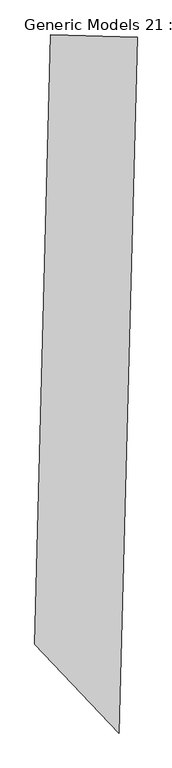
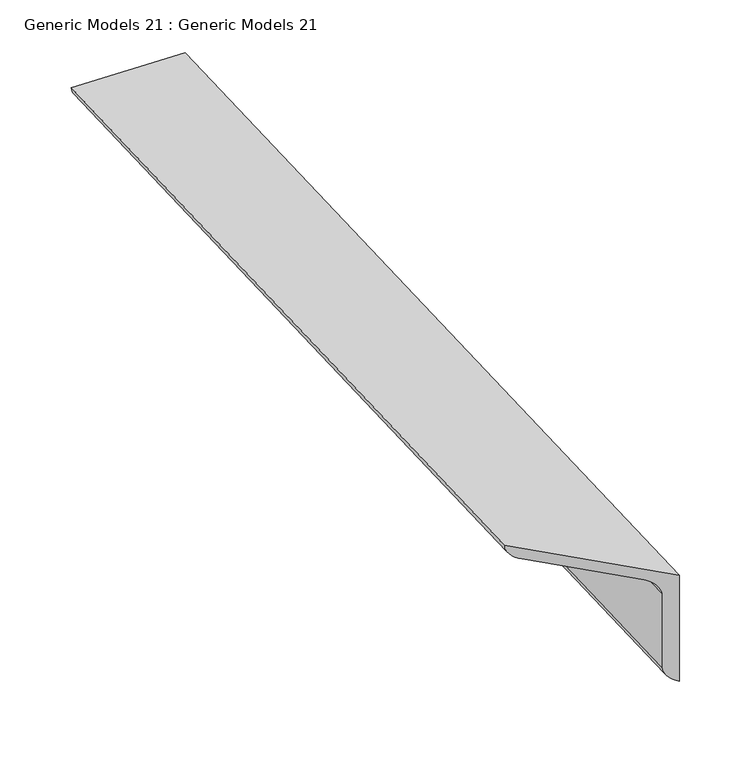
"""IFC4 building model written with IfcOpenShell, lengths in millimetres: proxy geometry, Generic Models 21 : Generic Models 21."""

import ifcopenshell
import ifcopenshell.guid

model = None  # the IFC model being written
_history = None  # IfcOwnerHistory: only IFC2X3 demands one
_inside = {}  # id of a spatial element -> (the spatial element, [elements in it])
_under = {}  # id of a project, library or spatial element -> (it, [spatial elements below it])
_declared = {}  # id of a project -> (the project, [libraries it declares])
_typed = {}  # id of a type object -> (the type object, [elements of that type])
_made_of = {}  # id of a material, layer set ... -> (it, [elements and type objects made of it])


def new_model(schema):
    """Start an empty IFC model of exactly this schema.

    Asked for "IFC4X3", IfcOpenShell would pick the latest addendum, in which some entities
    have other attributes; the version numbers below select the first issue.
    IFC2X3 requires an IfcOwnerHistory on every rooted entity: one is made here for all.
    """
    global model, _history
    if schema == "IFC4X3":
        model = ifcopenshell.file(schema_version=(4, 3, 0, 0))
    else:
        model = ifcopenshell.file(schema=schema)
    _inside.clear()
    _under.clear()
    _declared.clear()
    _typed.clear()
    _made_of.clear()
    _history = None
    if model.schema == "IFC2X3":
        org = make("IfcOrganization", Name="unknown")
        user = make(
            "IfcPersonAndOrganization",
            ThePerson=make("IfcPerson", FamilyName="unknown"),
            TheOrganization=org,
        )
        app = make(
            "IfcApplication",
            ApplicationDeveloper=org,
            Version="unknown",
            ApplicationFullName="unknown",
            ApplicationIdentifier="unknown",
        )
        _history = make(
            "IfcOwnerHistory",
            OwningUser=user,
            OwningApplication=app,
            ChangeAction="ADDED",
            CreationDate=0,
        )
    return model


def make(cls, **values):
    """One entity of the class cls with the attributes given. An attribute that is None is left unset."""
    return model.create_entity(
        cls, **{name: value for name, value in values.items() if value is not None}
    )


def rooted(cls, **values):
    """An entity with a GlobalId (a new one), such as an element, a storey or a relation."""
    return make(cls, GlobalId=ifcopenshell.guid.new(), OwnerHistory=_history, **values)


def si_unit(unit_type, name, prefix=None):
    """IfcSIUnit, for example si_unit("LENGTHUNIT", "METRE", prefix="MILLI")."""
    return make("IfcSIUnit", UnitType=unit_type, Prefix=prefix, Name=name)


def assignment(units):
    """IfcUnitAssignment: the units of a project."""
    return None if units is None else make("IfcUnitAssignment", Units=units)


def point(xyz):
    """IfcCartesianPoint."""
    return None if xyz is None else make("IfcCartesianPoint", Coordinates=xyz)


def direction(xyz):
    """IfcDirection."""
    return None if xyz is None else make("IfcDirection", DirectionRatios=xyz)


def frame(location, z_axis=None, x_axis=None):
    """IfcAxis2Placement3D, a coordinate frame: its origin and axes. An axis left out is left unset."""
    return make(
        "IfcAxis2Placement3D",
        Location=point(location),
        Axis=direction(z_axis),
        RefDirection=direction(x_axis),
    )


def origin():
    """The frame at (0, 0, 0) with its axes left unset."""
    return frame((0.0, 0.0, 0.0))


def place(relative_to, where):
    """IfcLocalPlacement: puts the frame where relative to a parent placement (None: the world)."""
    return make(
        "IfcLocalPlacement", PlacementRelTo=relative_to, RelativePlacement=where
    )


def context(
    kind, dimensions, precision=None, world=None, true_north=None, identifier=None
):
    """IfcGeometricRepresentationContext, for example the 3D "Model" context."""
    return make(
        "IfcGeometricRepresentationContext",
        ContextIdentifier=identifier,
        ContextType=kind,
        CoordinateSpaceDimension=dimensions,
        Precision=precision,
        WorldCoordinateSystem=world,
        TrueNorth=true_north,
    )


def project(units=None, contexts=None):
    """IfcProject with its units and contexts."""
    return rooted(
        "IfcProject",
        Name="project",
        RepresentationContexts=contexts,
        UnitsInContext=assignment(units),
    )


def spatial(cls, under=None, at=None, **own):
    """A site, building, storey or space (cls), placed at a placement, below another one or the project."""
    s = rooted(cls, ObjectPlacement=at, **own)
    if under is not None:
        _under.setdefault(under.id(), (under, []))[1].append(s)
    return s


def polyline(points):
    """IfcPolyline through the points."""
    return make("IfcPolyline", Points=[point(p) for p in points])


def circle_curve(where, radius):
    """IfcCircle in the frame where."""
    return make("IfcCircle", Position=where, Radius=radius)


def ellipse_curve(where, semi_axis1, semi_axis2):
    """IfcEllipse in the frame where."""
    return make(
        "IfcEllipse", Position=where, SemiAxis1=semi_axis1, SemiAxis2=semi_axis2
    )


def shape(context_of_items, identifier, shape_type, items):
    """IfcShapeRepresentation: the items that make up one representation, for example the "Body"."""
    return make(
        "IfcShapeRepresentation",
        ContextOfItems=context_of_items,
        RepresentationIdentifier=identifier,
        RepresentationType=shape_type,
        Items=items,
    )


def source(mapping_origin, context_of_items, identifier, shape_type, items):
    """IfcRepresentationMap: a shape defined once, which mapped items show again and again."""
    return make(
        "IfcRepresentationMap",
        MappingOrigin=mapping_origin,
        MappedRepresentation=shape(context_of_items, identifier, shape_type, items),
    )


def transform(
    local_origin,
    x_axis=None,
    y_axis=None,
    z_axis=None,
    scale=None,
    scale2=None,
    scale3=None,
    uniform=True,
):
    """IfcCartesianTransformationOperator3D, or its non-uniform kind. x_axis, y_axis, z_axis: its Axis1, 2, 3."""
    if uniform:
        return make(
            "IfcCartesianTransformationOperator3D",
            Axis1=direction(x_axis),
            Axis2=direction(y_axis),
            LocalOrigin=point(local_origin),
            Scale=scale,
            Axis3=direction(z_axis),
        )
    return make(
        "IfcCartesianTransformationOperator3DnonUniform",
        Axis1=direction(x_axis),
        Axis2=direction(y_axis),
        LocalOrigin=point(local_origin),
        Scale=scale,
        Axis3=direction(z_axis),
        Scale2=scale2,
        Scale3=scale3,
    )


def mapped(mapping_source, mapping_target):
    """IfcMappedItem: shows the shape of a source again, moved by a transform."""
    return make(
        "IfcMappedItem", MappingSource=mapping_source, MappingTarget=mapping_target
    )


def made_of(thing, what):
    """Note that an element or type object is made of a material, layer set ...; save() writes the relation."""
    if what is not None:
        _made_of.setdefault(what.id(), (what, []))[1].append(thing)
    return thing


def element(
    cls,
    number,
    at=None,
    inside=None,
    cuts=None,
    type_object=None,
    material=None,
    context=None,
    identifier="Body",
    shape_type=None,
    held_by="IfcProductDefinitionShape",
    body=None,
    shapes=None,
    **own,
):
    """One element of the class cls, such as IfcWall. Its Tag is "e" and its number.

    at: its placement. inside: the storey or other place that contains it. cuts: it is an
    opening in that element (IfcRelVoidsElement). A single representation is given by context,
    identifier, shape_type and body (its items); several are given by shapes. held_by: the class
    of the entity that holds the representations. save() writes the other relations.
    """
    e = rooted(cls, Tag="e%d" % number, ObjectPlacement=at, **own)
    if body is not None:
        shapes = [shape(context, identifier, shape_type, body)]
    if shapes is not None:
        e.Representation = make(held_by, Representations=shapes)
    if inside is not None:
        _inside.setdefault(inside.id(), (inside, []))[1].append(e)
    if cuts is not None:
        rooted(
            "IfcRelVoidsElement", RelatingBuildingElement=cuts, RelatedOpeningElement=e
        )
    if type_object is not None:
        _typed.setdefault(type_object.id(), (type_object, []))[1].append(e)
    return made_of(e, material)


def aggregate(whole, parts):
    """IfcRelAggregates: a whole, such as a stair, and the parts it consists of."""
    return rooted("IfcRelAggregates", RelatingObject=whole, RelatedObjects=parts)


def save(model, path):
    """Write the relations noted so far, then the file.

    IfcRelAggregates (storeys below a building ...), IfcRelContainedInSpatialStructure (elements
    in a storey), IfcRelDefinesByType, IfcRelAssociatesMaterial and IfcRelDeclares: one each for
    every whole, place, type object, material and project.
    """
    for whole, parts in _under.values():
        aggregate(whole, parts)
    for where, things in _inside.values():
        rooted(
            "IfcRelContainedInSpatialStructure",
            RelatedElements=things,
            RelatingStructure=where,
        )
    for kind, things in _typed.values():
        rooted("IfcRelDefinesByType", RelatedObjects=things, RelatingType=kind)
    for what, things in _made_of.values():
        rooted("IfcRelAssociatesMaterial", RelatedObjects=things, RelatingMaterial=what)
    for by, libraries in _declared.values():
        rooted("IfcRelDeclares", RelatingContext=by, RelatedDefinitions=libraries)
    model.write(path)


def plane_surface(at):
    """IfcPlane: the flat surface through the origin of the frame at, square to its z axis."""
    return make("IfcPlane", Position=at)


def cylinder_surface(at, radius):
    """IfcCylindricalSurface: all points at the distance radius from the z axis of the frame at."""
    return make("IfcCylindricalSurface", Position=at, Radius=radius)


def revolved_surface(curve, axis_point, axis_direction):
    """IfcSurfaceOfRevolution: the curve turned about the line through axis_point along axis_direction."""
    return make(
        "IfcSurfaceOfRevolution",
        SweptCurve=make("IfcArbitraryOpenProfileDef", ProfileType="CURVE", Curve=curve),
        AxisPosition=make("IfcAxis1Placement", Location=point(axis_point), Axis=direction(axis_direction)),
    )


def advanced_brep(points, edges, surfaces, faces):
    """IfcAdvancedBrep: a solid bounded by faces that lie on surfaces and meet in shared edges.

    An edge is (start, end): straight between two places in points (the first is 0);
    or (start, end, curve); or (start, end, curve, False) where it runs against its curve.
    A face is (place in surfaces, loops), or (place, loops, False) where it looks against
    its surface's normal. A loop lists edges by number (the first is 1), with a minus sign
    where the edge is run from its end to its start. The first loop is the outer one.
    """
    corners = [point(p) for p in points]
    vertices = [make("IfcVertexPoint", VertexGeometry=c) for c in corners]
    made = []
    for start, end, *more in edges:
        made.append(
            make(
                "IfcEdgeCurve",
                EdgeStart=vertices[start],
                EdgeEnd=vertices[end],
                EdgeGeometry=more[0] if more else make("IfcPolyline", Points=[corners[start], corners[end]]),
                SameSense=more[1] if len(more) > 1 else True,
            )
        )
    hull = []
    for where, loops, *sense in faces:
        bounds = []
        for j, loop in enumerate(loops):
            ring = [make("IfcOrientedEdge", EdgeElement=made[abs(k) - 1], Orientation=k > 0) for k in loop]
            bounds.append(
                make(
                    "IfcFaceOuterBound" if j == 0 else "IfcFaceBound",
                    Bound=make("IfcEdgeLoop", EdgeList=ring),
                    Orientation=True,
                )
            )
        hull.append(make("IfcAdvancedFace", Bounds=bounds, FaceSurface=surfaces[where], SameSense=sense[0] if sense else True))
    return make("IfcAdvancedBrep", Outer=make("IfcClosedShell", CfsFaces=hull))


def generic_models_21_generic_models_21_21406c52(model_context):
    return source(origin(), model_context, "Body", "AdvancedBrep", [
        advanced_brep(
        [(111669.4194918, 56793.8871271, 17063.72), (111669.4194918, 56793.8871271, 16936.72), (111656.7238437, 56794.2195744, 16949.42), (111656.7238437, 56794.2195744, 17038.32), (111644.0281957, 56794.5520216, 17051.02), (111555.1586595, 56796.8791523, 17051.02), (111542.4630115, 56797.2115996, 17063.72), (111519.1125526, 55905.4935521, 17063.72), (111642.7445605, 55775.2125994, 17063.72), (111531.4757534, 55892.4654568, 17051.02), (111618.0181589, 55801.2687899, 17051.02), (111630.3813597, 55788.2406946, 17038.32), (111630.3813597, 55788.2406946, 16949.42), (111642.7445605, 55775.2125994, 16936.72)],
        [
            (0, 1),
            (1, 2, circle_curve(frame((111669.4194918, 56793.8871271, 16949.42), z_axis=(0.026176948307886267, 0.9996573249755569, 0.0), x_axis=(-0.9996573249755569, 0.026176948307886267, 0.0)), 12.7)),
            (2, 3),
            (3, 4, circle_curve(frame((111644.0281957, 56794.5520216, 17038.32), z_axis=(-0.026176948307886267, -0.9996573249755569, 0.0), x_axis=(-0.9996573249755569, 0.026176948307886267, 0.0)), 12.7)),
            (4, 5),
            (5, 6, circle_curve(frame((111555.1586595, 56796.8791523, 17063.72), z_axis=(0.026176948307886267, 0.9996573249755569, 0.0), x_axis=(-0.9996573249755569, 0.026176948307886267, 0.0)), 12.7)),
            (6, 0),
            (6, 7),
            (7, 8),
            (8, 0),
            (5, 9),
            (9, 7, ellipse_curve(frame((111531.4757534, 55892.4654568, 17063.72), z_axis=(0.7253743710122956, 0.6883545756937456, 0.0), x_axis=(0.6883545756937456, -0.7253743710122955, 0.0)), 17.9605122, 12.7)),
            (4, 10),
            (10, 9),
            (3, 11),
            (11, 10, ellipse_curve(frame((111618.0181589, 55801.2687899, 17038.32), z_axis=(-0.7253743710122956, -0.6883545756937456, 0.0), x_axis=(-0.6883545756937456, 0.7253743710122955, 0.0)), 17.9605122, 12.7)),
            (2, 12),
            (12, 11),
            (1, 13),
            (13, 12, ellipse_curve(frame((111642.7445605, 55775.2125994, 16949.42), z_axis=(0.7253743710122956, 0.6883545756937456, 0.0), x_axis=(0.6883545756937456, -0.7253743710122955, 0.0)), 17.9605122, 12.7)),
            (8, 13),
        ],
        [
            plane_surface(frame((111669.4194918, 56793.8871271, 17063.72), z_axis=(0.026176948307886267, 0.9996573249755569, 0.0), x_axis=(0.0, 0.0, 1.0))),
            plane_surface(frame((111641.8263705, 55740.1483409, 17063.72), z_axis=(0.0, 0.0, 1.0), x_axis=(0.02617694830787948, 0.9996573249755571, 0.0))),
            cylinder_surface(frame((111527.5655383, 55743.1403661, 17063.72), z_axis=(-0.026176948307886267, -0.9996573249755569, 0.0), x_axis=(-0.9996573249755569, 0.026176948307886267, 0.0)), 12.7),
            plane_surface(frame((111527.5655383, 55743.1403661, 17051.02), z_axis=(0.0, 0.0, -1.0), x_axis=(0.02617694830787948, 0.9996573249755571, 0.0))),
            revolved_surface(polyline([(111631.33254768378, 56794.88446888602, 17038.32), (111604.99006363709, 55788.90558908724, 17038.32)]), (111616.4350745, 55740.8132354, 17038.32), (0.026176948307886267, 0.9996573249755569, 0.0)),
            plane_surface(frame((111629.1307225, 55740.4807881, 17038.32), z_axis=(-0.9996573249755571, 0.02617694830787948, 0.0), x_axis=(0.02617694830787948, 0.9996573249755571, 0.0))),
            cylinder_surface(frame((111641.8263705, 55740.1483409, 16949.42), z_axis=(-0.026176948307886267, -0.9996573249755569, 0.0), x_axis=(-0.9996573249755569, 0.026176948307886267, 0.0)), 12.7),
            plane_surface(frame((111641.8263705, 55740.1483409, 16936.72), z_axis=(0.9996573249755571, -0.02617694830787948, 0.0), x_axis=(0.02617694830787948, 0.9996573249755571, 0.0))),
            plane_surface(frame((111107.9002434, 56338.8209108, 17221.0753484), z_axis=(-0.7253743710122956, -0.6883545756937456, 0.0), x_axis=(0.6883545756937456, -0.7253743710122956, 0.0))),
        ],
        [
            (0, [[1, 2, 3, 4, 5, 6, 7]]),
            (1, [[-7, 8, 9, 10]]),
            (2, [[-6, 11, 12, -8]]),
            (3, [[-5, 13, 14, -11]]),
            (4, [[-4, 15, 16, -13]]),
            (5, [[-3, 17, 18, -15]]),
            (6, [[-2, 19, 20, -17]]),
            (7, [[-1, -10, 21, -19]]),
            (8, [[-9, -12, -14, -16, -18, -20, -21]]),
        ],
    ),
    ])


if __name__ == "__main__":
    model = new_model("IFC4")
    model_context = context("Model", 3, world=origin())
    ifc_project = project(units=[si_unit("LENGTHUNIT", "METRE", prefix="MILLI")], contexts=[model_context])
    site = spatial("IfcSite", under=ifc_project)
    building = spatial("IfcBuilding", under=site)
    placement = place(None, origin())
    generic_models_21_generic_models_21_shape = generic_models_21_generic_models_21_21406c52(model_context)
    element("IfcBuildingElementProxy", 1, Name="Generic Models 21 : Generic Models 21", ObjectType="Generic Models 21 : Generic Models 21", at=placement, inside=building, context=model_context, shape_type="MappedRepresentation", body=[
        mapped(generic_models_21_generic_models_21_shape, transform((0.0, 0.0, 0.0), x_axis=(1.0, 0.0, 0.0), y_axis=(0.0, 1.0, 0.0), z_axis=(0.0, 0.0, 1.0))),
    ])
    save(model, "model.ifc")
